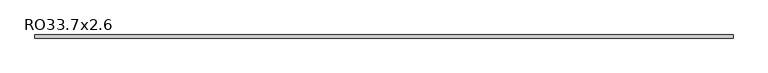
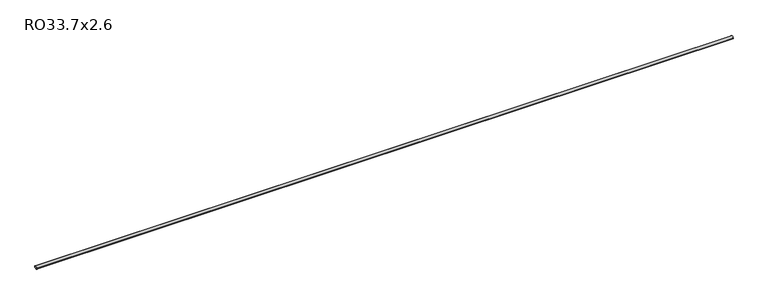
"""IFC4 building model written with IfcOpenShell, lengths in millimetres: beam geometry, RO33.7x2.6."""

from ifc_helpers import new_model, si_unit, point, frame, origin, origin_2d, place, context, project, spatial, circle_curve, trimmed, segment, composite_curve, outline, extrude, source, transform, mapped, element, save


def ro33_7x2_6_c5f3a29d(model_context):
    return source(origin(), model_context, "Body", "SweptSolid", [
        extrude(outline(composite_curve([segment(trimmed(circle_curve(origin_2d(), 16.85), [point((16.85, 0.0))], [point((-16.85, 0.0))], False, "CARTESIAN"), True, "CONTINUOUS"), segment(trimmed(circle_curve(origin_2d(), 16.85), [point((-16.85, 0.0))], [point((16.85, 0.0))], False, "CARTESIAN"), True, "CONTINUOUS")], self_intersect=False), holes=[composite_curve([segment(trimmed(circle_curve(origin_2d(), 14.25), [point((-14.25, 0.0))], [point((14.25, 0.0))], True, "CARTESIAN"), True, "CONTINUOUS"), segment(trimmed(circle_curve(origin_2d(), 14.25), [point((14.25, 0.0))], [point((-14.25, 0.0))], True, "CARTESIAN"), True, "CONTINUOUS")], self_intersect=False)]), frame((-3779.1, 0.0, 0.0), z_axis=(1.0, 0.0, 0.0), x_axis=(0.0, 1.0, 0.0)), (0.0, 0.0, 1.0), 7557.6),
    ])


if __name__ == "__main__":
    model = new_model("IFC4")
    model_context = context("Model", 3, world=origin())
    ifc_project = project(units=[si_unit("LENGTHUNIT", "METRE", prefix="MILLI")], contexts=[model_context])
    site = spatial("IfcSite", under=ifc_project)
    building = spatial("IfcBuilding", under=site)
    placement = place(None, origin())
    ro33_7x2_6_shape = ro33_7x2_6_c5f3a29d(model_context)
    element("IfcBeam", 1, ObjectType="RO33.7x2.6", at=placement, inside=building, context=model_context, shape_type="MappedRepresentation", body=[
        mapped(ro33_7x2_6_shape, transform((0.0, 0.0, 0.0), x_axis=(1.0, 0.0, 0.0), y_axis=(0.0, 1.0, 0.0), z_axis=(0.0, 0.0, 1.0))),
    ])
    save(model, "model.ifc")
